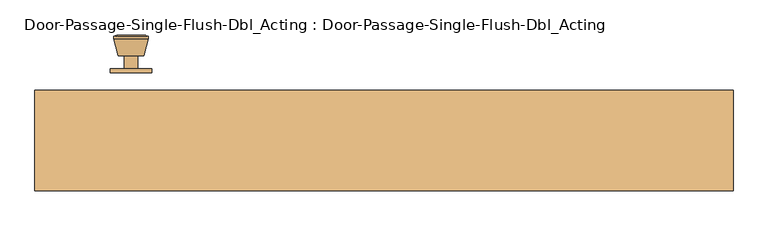
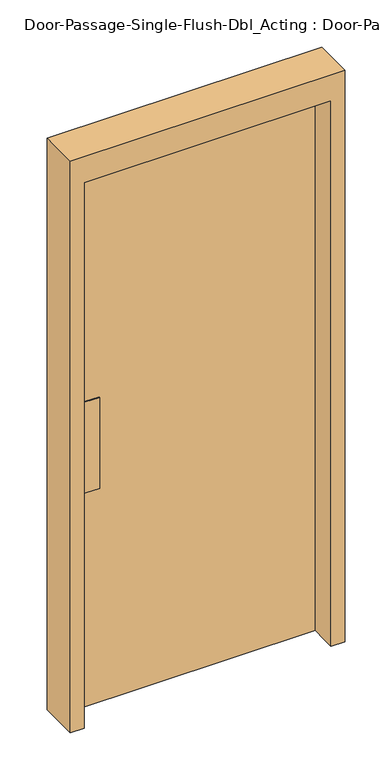
"""IFC4 building model written with IfcOpenShell, lengths in millimetres: door geometry, Door-Passage-Single-Flush-Dbl_Acting : Door-Passage-Single-Flush-Dbl_Acting."""

from ifc_helpers import new_model, si_unit, point, frame, frame_2d, origin, origin_with_axes, place, context, project, spatial, polyline, circle_curve, trimmed, segment, composite_curve, outline, extrude, source, transform, mapped, element, save
from ifc_brep_helpers import plane_surface, cylinder_surface, revolved_surface, advanced_brep


def door_passage_single_flush_dbl_acting_door_passage_single_6d5a820c(model_context):
    return source(origin(), model_context, "Body", "SolidModel", [
        advanced_brep(
        [(-368.3, 88.55, 1016.0), (-378.3, 88.55, 1016.0), (-358.3, 88.55, 1016.0), (-347.8241324, 137.55, 1016.0), (-388.7758676, 137.55, 1016.0), (-368.3, 137.55, 1016.0), (-343.3, 135.7221319, 1016.0), (-393.3, 135.7221319, 1016.0), (-343.3, 132.2584537, 1016.0), (-393.3, 132.2584537, 1016.0), (-349.663764, 107.55, 1016.0), (-386.936236, 107.55, 1016.0), (-358.3, 107.55, 1016.0), (-378.3, 107.55, 1016.0)],
        [
            (0, 1),
            (1, 2, circle_curve(frame((-368.3, 88.55, 1016.0), z_axis=(0.0, -1.0, 0.0), x_axis=(-1.0, 0.0, 0.0)), 10.0)),
            (2, 0),
            (2, 1, circle_curve(frame((-368.3, 88.55, 1016.0), z_axis=(0.0, -1.0, 0.0), x_axis=(-1.0, 0.0, 0.0)), 10.0)),
            (3, 4, circle_curve(frame((-368.3, 137.55, 1016.0), z_axis=(0.0, 1.0, 0.0), x_axis=(-1.0, 0.0, 0.0)), 20.4758676)),
            (4, 5),
            (5, 3),
            (4, 3, circle_curve(frame((-368.3, 137.55, 1016.0), z_axis=(0.0, 1.0, 0.0), x_axis=(-1.0, 0.0, 0.0)), 20.4758676)),
            (6, 7, circle_curve(frame((-368.3, 135.7221319, 1016.0), z_axis=(0.0, 1.0, 0.0), x_axis=(-1.0, 0.0, 0.0)), 25.0)),
            (7, 4),
            (3, 6),
            (7, 6, circle_curve(frame((-368.3, 135.7221319, 1016.0), z_axis=(0.0, 1.0, 0.0), x_axis=(-1.0, 0.0, 0.0)), 25.0)),
            (8, 9, circle_curve(frame((-368.3, 132.2584537, 1016.0), z_axis=(0.0, 1.0, 0.0), x_axis=(-1.0, 0.0, 0.0)), 25.0)),
            (9, 7),
            (6, 8),
            (9, 8, circle_curve(frame((-368.3, 132.2584537, 1016.0), z_axis=(0.0, 1.0, 0.0), x_axis=(-1.0, 0.0, 0.0)), 25.0)),
            (10, 11, circle_curve(frame((-368.3, 107.55, 1016.0), z_axis=(0.0, 1.0, 0.0), x_axis=(-1.0, 0.0, 0.0)), 18.636236)),
            (11, 9),
            (8, 10),
            (11, 10, circle_curve(frame((-368.3, 107.55, 1016.0), z_axis=(0.0, 1.0, 0.0), x_axis=(-1.0, 0.0, 0.0)), 18.636236)),
            (12, 13, circle_curve(frame((-368.3, 107.55, 1016.0), z_axis=(0.0, 1.0, 0.0), x_axis=(-1.0, 0.0, 0.0)), 10.0)),
            (13, 11),
            (10, 12),
            (13, 12, circle_curve(frame((-368.3, 107.55, 1016.0), z_axis=(0.0, 1.0, 0.0), x_axis=(-1.0, 0.0, 0.0)), 10.0)),
            (1, 13),
            (12, 2),
        ],
        [
            plane_surface(frame((-368.3, 88.55, 1016.0), z_axis=(0.0, -1.0, 0.0), x_axis=(-1.0, 0.0, 0.0))),
            plane_surface(frame((-368.3, 137.55, 1016.0), z_axis=(0.0, 1.0, 0.0), x_axis=(-1.0, 0.0, 0.0))),
            revolved_surface(polyline([(-388.7758676, 137.55, 1016.0), (-393.3, 135.7221319, 1016.0)]), (-368.3, 88.55, 1016.0), (0.0, -1.0, 0.0)),
            cylinder_surface(frame((-368.3, 88.55, 1016.0), z_axis=(0.0, -1.0, 0.0), x_axis=(-1.0, 0.0, 0.0)), 25.0),
            revolved_surface(polyline([(-393.3, 132.2584537, 1016.0), (-386.936236, 107.55, 1016.0)]), (-368.3, 88.55, 1016.0), (0.0, -1.0, 0.0)),
            plane_surface(frame((-368.3, 107.55, 1016.0), z_axis=(0.0, -1.0, 0.0), x_axis=(-1.0, 0.0, 0.0))),
            cylinder_surface(frame((-368.3, 88.55, 1016.0), z_axis=(0.0, -1.0, 0.0), x_axis=(-1.0, 0.0, 0.0)), 10.0),
        ],
        [
            (0, [[1, 2, 3]]),
            (0, [[-3, 4, -1]]),
            (1, [[5, 6, 7]]),
            (1, [[8, -7, -6]]),
            (2, [[9, 10, -5, 11]]),
            (2, [[12, -11, -8, -10]]),
            (3, [[13, 14, -9, 15]]),
            (3, [[16, -15, -12, -14]]),
            (4, [[17, 18, -13, 19]]),
            (4, [[20, -19, -16, -18]]),
            (5, [[21, 22, -17, 23]]),
            (5, [[24, -23, -20, -22]]),
            (6, [[-2, 25, -21, 26]]),
            (6, [[-4, -26, -24, -25]]),
        ],
    ),
        extrude(outline(composite_curve([segment(trimmed(circle_curve(frame_2d((1016.0, -368.3)), 30.0), [point((1016.0, -398.3))], [point((1016.0, -338.3))], False, "CARTESIAN"), True, "CONTINUOUS"), segment(trimmed(circle_curve(frame_2d((1016.0, -368.3)), 30.0), [point((1016.0, -338.3))], [point((1016.0, -398.3))], False, "CARTESIAN"), True, "CONTINUOUS")], self_intersect=False)), frame((0.0, 82.55, 0.0), z_axis=(0.0, 1.0, 0.0), x_axis=(0.0, 0.0, 1.0)), (0.0, 0.0, 1.0), 6.0),
        extrude(outline(polyline([(-419.1, 9.525), (-419.1, 12.7), (-342.9, 12.7), (-342.9, 9.525), (-419.1, 9.525)])), frame((0.0, 0.0, 838.2), z_axis=(0.0, 0.0, 1.0), x_axis=(1.0, 0.0, 0.0)), (0.0, 0.0, 1.0), 355.6),
        extrude(outline(polyline([(0.0, 457.2), (0.0, 508.0), (2235.2, 508.0), (2235.2, -508.0), (0.0, -508.0), (0.0, -457.2), (2133.6, -457.2), (2133.6, 457.2), (0.0, 457.2)])), frame((0.0, -88.9, 0.0), z_axis=(0.0, 1.0, 0.0), x_axis=(0.0, 0.0, 1.0)), (0.0, 0.0, 1.0), 146.05),
        extrude(outline(polyline([(457.2, 12.7), (-457.2, 12.7), (-457.2, 57.15), (457.2, 57.15), (457.2, 12.7)])), origin_with_axes(), (0.0, 0.0, 1.0), 2133.6),
    ])


if __name__ == "__main__":
    model = new_model("IFC4")
    model_context = context("Model", 3, world=origin())
    ifc_project = project(units=[si_unit("LENGTHUNIT", "METRE", prefix="MILLI")], contexts=[model_context])
    site = spatial("IfcSite", under=ifc_project)
    building = spatial("IfcBuilding", under=site)
    placement = place(None, origin())
    door_passage_single_flush_dbl_acting_door_passage_single_shape = door_passage_single_flush_dbl_acting_door_passage_single_6d5a820c(model_context)
    element("IfcDoor", 1, ObjectType="Door-Passage-Single-Flush-Dbl_Acting : Door-Passage-Single-Flush-Dbl_Acting", at=placement, inside=building, context=model_context, shape_type="MappedRepresentation", body=[
        mapped(door_passage_single_flush_dbl_acting_door_passage_single_shape, transform((0.0, 0.0, 0.0), x_axis=(1.0, 0.0, 0.0), y_axis=(0.0, 1.0, 0.0), z_axis=(0.0, 0.0, 1.0))),
    ])
    save(model, "model.ifc")
